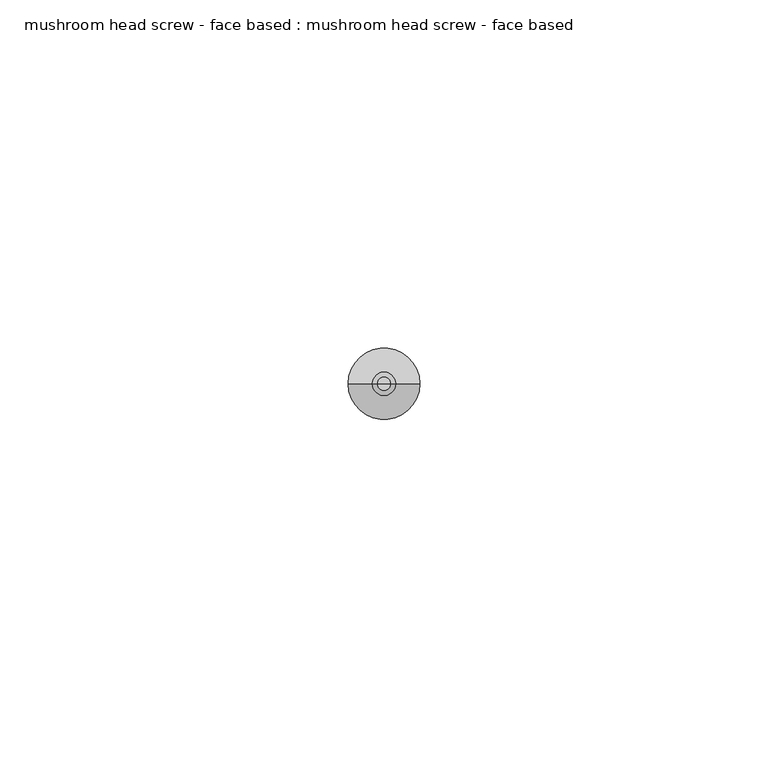
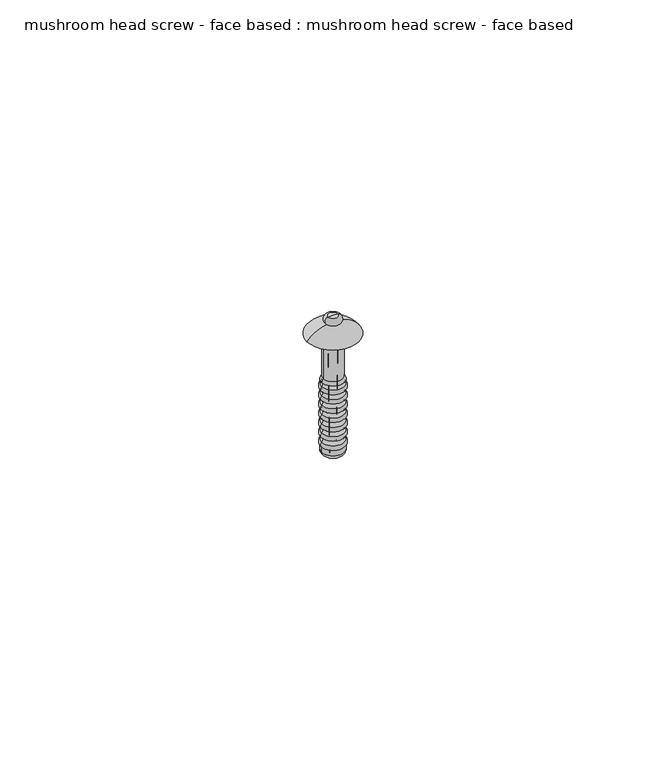
"""IFC4 building model written with IfcOpenShell, lengths in millimetres: proxy geometry, mushroom head screw - face based : mushroom head screw - face based."""

import ifcopenshell
import ifcopenshell.guid

model = None  # the IFC model being written
_history = None  # IfcOwnerHistory: only IFC2X3 demands one
_inside = {}  # id of a spatial element -> (the spatial element, [elements in it])
_under = {}  # id of a project, library or spatial element -> (it, [spatial elements below it])
_declared = {}  # id of a project -> (the project, [libraries it declares])
_typed = {}  # id of a type object -> (the type object, [elements of that type])
_made_of = {}  # id of a material, layer set ... -> (it, [elements and type objects made of it])


def new_model(schema):
    """Start an empty IFC model of exactly this schema.

    Asked for "IFC4X3", IfcOpenShell would pick the latest addendum, in which some entities
    have other attributes; the version numbers below select the first issue.
    IFC2X3 requires an IfcOwnerHistory on every rooted entity: one is made here for all.
    """
    global model, _history
    if schema == "IFC4X3":
        model = ifcopenshell.file(schema_version=(4, 3, 0, 0))
    else:
        model = ifcopenshell.file(schema=schema)
    _inside.clear()
    _under.clear()
    _declared.clear()
    _typed.clear()
    _made_of.clear()
    _history = None
    if model.schema == "IFC2X3":
        org = make("IfcOrganization", Name="unknown")
        user = make(
            "IfcPersonAndOrganization",
            ThePerson=make("IfcPerson", FamilyName="unknown"),
            TheOrganization=org,
        )
        app = make(
            "IfcApplication",
            ApplicationDeveloper=org,
            Version="unknown",
            ApplicationFullName="unknown",
            ApplicationIdentifier="unknown",
        )
        _history = make(
            "IfcOwnerHistory",
            OwningUser=user,
            OwningApplication=app,
            ChangeAction="ADDED",
            CreationDate=0,
        )
    return model


def make(cls, **values):
    """One entity of the class cls with the attributes given. An attribute that is None is left unset."""
    return model.create_entity(
        cls, **{name: value for name, value in values.items() if value is not None}
    )


def rooted(cls, **values):
    """An entity with a GlobalId (a new one), such as an element, a storey or a relation."""
    return make(cls, GlobalId=ifcopenshell.guid.new(), OwnerHistory=_history, **values)


def si_unit(unit_type, name, prefix=None):
    """IfcSIUnit, for example si_unit("LENGTHUNIT", "METRE", prefix="MILLI")."""
    return make("IfcSIUnit", UnitType=unit_type, Prefix=prefix, Name=name)


def assignment(units):
    """IfcUnitAssignment: the units of a project."""
    return None if units is None else make("IfcUnitAssignment", Units=units)


def point(xyz):
    """IfcCartesianPoint."""
    return None if xyz is None else make("IfcCartesianPoint", Coordinates=xyz)


def direction(xyz):
    """IfcDirection."""
    return None if xyz is None else make("IfcDirection", DirectionRatios=xyz)


def frame(location, z_axis=None, x_axis=None):
    """IfcAxis2Placement3D, a coordinate frame: its origin and axes. An axis left out is left unset."""
    return make(
        "IfcAxis2Placement3D",
        Location=point(location),
        Axis=direction(z_axis),
        RefDirection=direction(x_axis),
    )


def origin():
    """The frame at (0, 0, 0) with its axes left unset."""
    return frame((0.0, 0.0, 0.0))


def place(relative_to, where):
    """IfcLocalPlacement: puts the frame where relative to a parent placement (None: the world)."""
    return make(
        "IfcLocalPlacement", PlacementRelTo=relative_to, RelativePlacement=where
    )


def context(
    kind, dimensions, precision=None, world=None, true_north=None, identifier=None
):
    """IfcGeometricRepresentationContext, for example the 3D "Model" context."""
    return make(
        "IfcGeometricRepresentationContext",
        ContextIdentifier=identifier,
        ContextType=kind,
        CoordinateSpaceDimension=dimensions,
        Precision=precision,
        WorldCoordinateSystem=world,
        TrueNorth=true_north,
    )


def project(units=None, contexts=None):
    """IfcProject with its units and contexts."""
    return rooted(
        "IfcProject",
        Name="project",
        RepresentationContexts=contexts,
        UnitsInContext=assignment(units),
    )


def spatial(cls, under=None, at=None, **own):
    """A site, building, storey or space (cls), placed at a placement, below another one or the project."""
    s = rooted(cls, ObjectPlacement=at, **own)
    if under is not None:
        _under.setdefault(under.id(), (under, []))[1].append(s)
    return s


def polyline(points):
    """IfcPolyline through the points."""
    return make("IfcPolyline", Points=[point(p) for p in points])


def circle_curve(where, radius):
    """IfcCircle in the frame where."""
    return make("IfcCircle", Position=where, Radius=radius)


def ellipse_curve(where, semi_axis1, semi_axis2):
    """IfcEllipse in the frame where."""
    return make(
        "IfcEllipse", Position=where, SemiAxis1=semi_axis1, SemiAxis2=semi_axis2
    )


def trimmed(basis, trim1, trim2, sense, master):
    """IfcTrimmedCurve: the piece of a basis curve between two trims."""
    return make(
        "IfcTrimmedCurve",
        BasisCurve=basis,
        Trim1=trim1,
        Trim2=trim2,
        SenseAgreement=sense,
        MasterRepresentation=master,
    )


def shape(context_of_items, identifier, shape_type, items):
    """IfcShapeRepresentation: the items that make up one representation, for example the "Body"."""
    return make(
        "IfcShapeRepresentation",
        ContextOfItems=context_of_items,
        RepresentationIdentifier=identifier,
        RepresentationType=shape_type,
        Items=items,
    )


def source(mapping_origin, context_of_items, identifier, shape_type, items):
    """IfcRepresentationMap: a shape defined once, which mapped items show again and again."""
    return make(
        "IfcRepresentationMap",
        MappingOrigin=mapping_origin,
        MappedRepresentation=shape(context_of_items, identifier, shape_type, items),
    )


def transform(
    local_origin,
    x_axis=None,
    y_axis=None,
    z_axis=None,
    scale=None,
    scale2=None,
    scale3=None,
    uniform=True,
):
    """IfcCartesianTransformationOperator3D, or its non-uniform kind. x_axis, y_axis, z_axis: its Axis1, 2, 3."""
    if uniform:
        return make(
            "IfcCartesianTransformationOperator3D",
            Axis1=direction(x_axis),
            Axis2=direction(y_axis),
            LocalOrigin=point(local_origin),
            Scale=scale,
            Axis3=direction(z_axis),
        )
    return make(
        "IfcCartesianTransformationOperator3DnonUniform",
        Axis1=direction(x_axis),
        Axis2=direction(y_axis),
        LocalOrigin=point(local_origin),
        Scale=scale,
        Axis3=direction(z_axis),
        Scale2=scale2,
        Scale3=scale3,
    )


def mapped(mapping_source, mapping_target):
    """IfcMappedItem: shows the shape of a source again, moved by a transform."""
    return make(
        "IfcMappedItem", MappingSource=mapping_source, MappingTarget=mapping_target
    )


def made_of(thing, what):
    """Note that an element or type object is made of a material, layer set ...; save() writes the relation."""
    if what is not None:
        _made_of.setdefault(what.id(), (what, []))[1].append(thing)
    return thing


def element(
    cls,
    number,
    at=None,
    inside=None,
    cuts=None,
    type_object=None,
    material=None,
    context=None,
    identifier="Body",
    shape_type=None,
    held_by="IfcProductDefinitionShape",
    body=None,
    shapes=None,
    **own,
):
    """One element of the class cls, such as IfcWall. Its Tag is "e" and its number.

    at: its placement. inside: the storey or other place that contains it. cuts: it is an
    opening in that element (IfcRelVoidsElement). A single representation is given by context,
    identifier, shape_type and body (its items); several are given by shapes. held_by: the class
    of the entity that holds the representations. save() writes the other relations.
    """
    e = rooted(cls, Tag="e%d" % number, ObjectPlacement=at, **own)
    if body is not None:
        shapes = [shape(context, identifier, shape_type, body)]
    if shapes is not None:
        e.Representation = make(held_by, Representations=shapes)
    if inside is not None:
        _inside.setdefault(inside.id(), (inside, []))[1].append(e)
    if cuts is not None:
        rooted(
            "IfcRelVoidsElement", RelatingBuildingElement=cuts, RelatedOpeningElement=e
        )
    if type_object is not None:
        _typed.setdefault(type_object.id(), (type_object, []))[1].append(e)
    return made_of(e, material)


def aggregate(whole, parts):
    """IfcRelAggregates: a whole, such as a stair, and the parts it consists of."""
    return rooted("IfcRelAggregates", RelatingObject=whole, RelatedObjects=parts)


def save(model, path):
    """Write the relations noted so far, then the file.

    IfcRelAggregates (storeys below a building ...), IfcRelContainedInSpatialStructure (elements
    in a storey), IfcRelDefinesByType, IfcRelAssociatesMaterial and IfcRelDeclares: one each for
    every whole, place, type object, material and project.
    """
    for whole, parts in _under.values():
        aggregate(whole, parts)
    for where, things in _inside.values():
        rooted(
            "IfcRelContainedInSpatialStructure",
            RelatedElements=things,
            RelatingStructure=where,
        )
    for kind, things in _typed.values():
        rooted("IfcRelDefinesByType", RelatedObjects=things, RelatingType=kind)
    for what, things in _made_of.values():
        rooted("IfcRelAssociatesMaterial", RelatedObjects=things, RelatingMaterial=what)
    for by, libraries in _declared.values():
        rooted("IfcRelDeclares", RelatingContext=by, RelatedDefinitions=libraries)
    model.write(path)


def plane_surface(at):
    """IfcPlane: the flat surface through the origin of the frame at, square to its z axis."""
    return make("IfcPlane", Position=at)


def cylinder_surface(at, radius):
    """IfcCylindricalSurface: all points at the distance radius from the z axis of the frame at."""
    return make("IfcCylindricalSurface", Position=at, Radius=radius)


def revolved_surface(curve, axis_point, axis_direction):
    """IfcSurfaceOfRevolution: the curve turned about the line through axis_point along axis_direction."""
    return make(
        "IfcSurfaceOfRevolution",
        SweptCurve=make("IfcArbitraryOpenProfileDef", ProfileType="CURVE", Curve=curve),
        AxisPosition=make("IfcAxis1Placement", Location=point(axis_point), Axis=direction(axis_direction)),
    )


def advanced_brep(points, edges, surfaces, faces):
    """IfcAdvancedBrep: a solid bounded by faces that lie on surfaces and meet in shared edges.

    An edge is (start, end): straight between two places in points (the first is 0);
    or (start, end, curve); or (start, end, curve, False) where it runs against its curve.
    A face is (place in surfaces, loops), or (place, loops, False) where it looks against
    its surface's normal. A loop lists edges by number (the first is 1), with a minus sign
    where the edge is run from its end to its start. The first loop is the outer one.
    """
    corners = [point(p) for p in points]
    vertices = [make("IfcVertexPoint", VertexGeometry=c) for c in corners]
    made = []
    for start, end, *more in edges:
        made.append(
            make(
                "IfcEdgeCurve",
                EdgeStart=vertices[start],
                EdgeEnd=vertices[end],
                EdgeGeometry=more[0] if more else make("IfcPolyline", Points=[corners[start], corners[end]]),
                SameSense=more[1] if len(more) > 1 else True,
            )
        )
    hull = []
    for where, loops, *sense in faces:
        bounds = []
        for j, loop in enumerate(loops):
            ring = [make("IfcOrientedEdge", EdgeElement=made[abs(k) - 1], Orientation=k > 0) for k in loop]
            bounds.append(
                make(
                    "IfcFaceOuterBound" if j == 0 else "IfcFaceBound",
                    Bound=make("IfcEdgeLoop", EdgeList=ring),
                    Orientation=True,
                )
            )
        hull.append(make("IfcAdvancedFace", Bounds=bounds, FaceSurface=surfaces[where], SameSense=sense[0] if sense else True))
    return make("IfcAdvancedBrep", Outer=make("IfcClosedShell", CfsFaces=hull))


def mushroom_head_screw_face_based_mushroom_head_screw_face_4bd5d8ad(model_context):
    return source(origin(), model_context, "Body", "AdvancedBrep", [
        advanced_brep(
        [(4.5171175, 0.0, -21.5908837), (5.7641019, 0.0, -21.5908837), (5.1406097, 0.0, -23.6302347), (4.3406097, 0.0, -3.6302347), (5.9406097, 0.0, -3.6302347), (5.1406097, 0.0, -3.6302347)],
        [
            (0, 1, circle_curve(frame((5.1406097, 0.0, -21.5908837), z_axis=(0.0, 0.0, -1.0), x_axis=(1.0, 0.0, 0.0)), 0.6234922)),
            (1, 2),
            (2, 0),
            (1, 0, circle_curve(frame((5.1406097, 0.0, -21.5908837), z_axis=(0.0, 0.0, -1.0), x_axis=(1.0, 0.0, 0.0)), 0.6234922)),
            (3, 4, circle_curve(frame((5.1406097, 0.0, -3.6302347), z_axis=(0.0, 0.0, -1.0), x_axis=(1.0, 0.0, 0.0)), 0.8)),
            (4, 1),
            (0, 3),
            (4, 3, circle_curve(frame((5.1406097, 0.0, -3.6302347), z_axis=(0.0, 0.0, -1.0), x_axis=(1.0, 0.0, 0.0)), 0.8)),
            (5, 4),
            (3, 5),
        ],
        [
            revolved_surface(polyline([(5.1406097, 0.0, -23.6302347), (5.7641019, 0.0, -21.5908837)]), (5.1406097, 0.0, 0.0), (0.0, 0.0, 1.0)),
            revolved_surface(polyline([(5.7641019, 0.0, -21.5908837), (5.9406097, 0.0, -3.6302347)]), (5.1406097, 0.0, 0.0), (0.0, 0.0, 1.0)),
            plane_surface(frame((5.1406097, 0.0, -3.6302347), z_axis=(0.0, 0.0, 1.0), x_axis=(1.0, 0.0, 0.0))),
        ],
        [
            (0, [[1, 2, 3]]),
            (0, [[4, -3, -2]]),
            (1, [[5, 6, -1, 7]]),
            (1, [[8, -7, -4, -6]]),
            (2, [[9, -5, 10]]),
            (2, [[-10, -8, -9]]),
        ],
    ),
        advanced_brep(
        [(4.3406097, 0.0, -3.6302347), (5.9406097, 0.0, -3.6302347), (5.1406097, 0.0, -3.6302347), (4.6214235, 0.0, -25.0013937), (5.6597959, 0.0, -25.0013937), (3.6214235, 0.0, -25.0013937), (6.6597959, 0.0, -25.0013937), (2.8756734, 0.0, -24.1435063), (7.405546, 0.0, -24.1435063), (2.8756734, 0.0, -23.0427099), (7.405546, 0.0, -23.0427099), (2.8756734, 0.0, -22.0638705), (7.405546, 0.0, -22.0638705), (2.8756734, 0.0, -21.1029505), (7.405546, 0.0, -21.1029505), (2.8756734, 0.0, -20.124111), (7.405546, 0.0, -20.124111), (2.8756734, 0.0, -19.163191), (7.405546, 0.0, -19.163191), (2.8756734, 0.0, -18.1843516), (7.405546, 0.0, -18.1843516), (2.8756734, 0.0, -17.2234316), (7.405546, 0.0, -17.2234316), (2.8756734, 0.0, -16.2445921), (7.405546, 0.0, -16.2445921), (2.8756734, 0.0, -15.2836722), (7.405546, 0.0, -15.2836722), (2.8756734, 0.0, -14.3048327), (7.405546, 0.0, -14.3048327), (2.8756734, 0.0, -13.3439127), (7.405546, 0.0, -13.3439127), (2.8756734, 0.0, -12.3650733), (7.405546, 0.0, -12.3650733), (2.8756734, 0.0, -11.4041533), (7.405546, 0.0, -11.4041533), (2.8756734, 0.0, -10.4253138), (7.405546, 0.0, -10.4253138), (2.8756734, 0.0, -9.5987495), (7.405546, 0.0, -9.5987495), (3.1888979, 0.0, -8.8608387), (7.0923215, 0.0, -8.8608387), (3.1888979, 0.0, 0.0), (7.0923215, 0.0, 0.0), (0.0, 0.0, 0.0), (10.2812194, 0.0, 0.0), (4.2156904, 0.0, 2.2317279), (6.0655289, 0.0, 2.2317279), (4.1406097, 0.0, 3.6643541), (6.1406097, 0.0, 3.6643541), (5.1406097, 0.0, 3.6643541)],
        [
            (0, 1, circle_curve(frame((5.1406097, 0.0, -3.6302347), z_axis=(0.0, 0.0, -1.0), x_axis=(1.0, 0.0, 0.0)), 0.8)),
            (1, 2),
            (2, 0),
            (1, 0, circle_curve(frame((5.1406097, 0.0, -3.6302347), z_axis=(0.0, 0.0, -1.0), x_axis=(1.0, 0.0, 0.0)), 0.8)),
            (3, 4, circle_curve(frame((5.1406097, 0.0, -25.0013937), z_axis=(0.0, 0.0, -1.0), x_axis=(1.0, 0.0, 0.0)), 0.5191862)),
            (4, 1),
            (0, 3),
            (4, 3, circle_curve(frame((5.1406097, 0.0, -25.0013937), z_axis=(0.0, 0.0, -1.0), x_axis=(1.0, 0.0, 0.0)), 0.5191862)),
            (5, 6, circle_curve(frame((5.1406097, 0.0, -25.0013937), z_axis=(0.0, 0.0, -1.0), x_axis=(1.0, 0.0, 0.0)), 1.5191862)),
            (6, 4),
            (3, 5),
            (6, 5, circle_curve(frame((5.1406097, 0.0, -25.0013937), z_axis=(0.0, 0.0, -1.0), x_axis=(1.0, 0.0, 0.0)), 1.5191862)),
            (7, 8, circle_curve(frame((5.1406097, 0.0, -24.1435063), z_axis=(0.0, 0.0, -1.0), x_axis=(1.0, 0.0, 0.0)), 2.2649363)),
            (8, 6, circle_curve(frame((6.5392276, 0.0, -24.1435063), z_axis=(0.0, 1.0, 0.0), x_axis=(1.0, 0.0, 0.0)), 0.8663184)),
            (5, 7, circle_curve(frame((3.7419917, 0.0, -24.1435063), z_axis=(0.0, 1.0, 0.0), x_axis=(-1.0, 0.0, 0.0)), 0.8663184)),
            (8, 7, circle_curve(frame((5.1406097, 0.0, -24.1435063), z_axis=(0.0, 0.0, -1.0), x_axis=(1.0, 0.0, 0.0)), 2.2649363)),
            (9, 10, circle_curve(frame((5.1406097, 0.0, -23.0427099), z_axis=(0.0, 0.0, -1.0), x_axis=(1.0, 0.0, 0.0)), 2.2649363)),
            (10, 8),
            (7, 9),
            (10, 9, circle_curve(frame((5.1406097, 0.0, -23.0427099), z_axis=(0.0, 0.0, -1.0), x_axis=(1.0, 0.0, 0.0)), 2.2649363)),
            (11, 12, circle_curve(frame((5.1406097, 0.0, -22.0638705), z_axis=(0.0, 0.0, -1.0), x_axis=(1.0, 0.0, 0.0)), 2.2649363)),
            (12, 10, circle_curve(frame((6.9660938, 0.0, -22.5532902), z_axis=(0.0, 1.0, 0.0), x_axis=(1.0, 0.0, 0.0)), 0.6577613)),
            (9, 11, circle_curve(frame((3.3151256, 0.0, -22.5532902), z_axis=(0.0, 1.0, 0.0), x_axis=(-1.0, 0.0, 0.0)), 0.6577613)),
            (12, 11, circle_curve(frame((5.1406097, 0.0, -22.0638705), z_axis=(0.0, 0.0, -1.0), x_axis=(1.0, 0.0, 0.0)), 2.2649363)),
            (13, 14, circle_curve(frame((5.1406097, 0.0, -21.1029505), z_axis=(0.0, 0.0, -1.0), x_axis=(1.0, 0.0, 0.0)), 2.2649363)),
            (14, 12, circle_curve(frame((7.8369533, 0.0, -21.5834105), z_axis=(0.0, -1.0, 0.0), x_axis=(1.0, 0.0, 0.0)), 0.6457198)),
            (11, 13, circle_curve(frame((2.4442661, 0.0, -21.5834105), z_axis=(0.0, -1.0, 0.0), x_axis=(-1.0, 0.0, 0.0)), 0.6457198)),
            (14, 13, circle_curve(frame((5.1406097, 0.0, -21.1029505), z_axis=(0.0, 0.0, -1.0), x_axis=(1.0, 0.0, 0.0)), 2.2649363)),
            (15, 16, circle_curve(frame((5.1406097, 0.0, -20.124111), z_axis=(0.0, 0.0, -1.0), x_axis=(1.0, 0.0, 0.0)), 2.2649363)),
            (16, 14, circle_curve(frame((6.9660938, 0.0, -20.6135308), z_axis=(0.0, 1.0, 0.0), x_axis=(1.0, 0.0, 0.0)), 0.6577613)),
            (13, 15, circle_curve(frame((3.3151256, 0.0, -20.6135308), z_axis=(0.0, 1.0, 0.0), x_axis=(-1.0, 0.0, 0.0)), 0.6577613)),
            (16, 15, circle_curve(frame((5.1406097, 0.0, -20.124111), z_axis=(0.0, 0.0, -1.0), x_axis=(1.0, 0.0, 0.0)), 2.2649363)),
            (17, 18, circle_curve(frame((5.1406097, 0.0, -19.163191), z_axis=(0.0, 0.0, -1.0), x_axis=(1.0, 0.0, 0.0)), 2.2649363)),
            (18, 16, circle_curve(frame((7.8369533, 0.0, -19.643651), z_axis=(0.0, -1.0, 0.0), x_axis=(1.0, 0.0, 0.0)), 0.6457198)),
            (15, 17, circle_curve(frame((2.4442661, 0.0, -19.643651), z_axis=(0.0, -1.0, 0.0), x_axis=(-1.0, 0.0, 0.0)), 0.6457198)),
            (18, 17, circle_curve(frame((5.1406097, 0.0, -19.163191), z_axis=(0.0, 0.0, -1.0), x_axis=(1.0, 0.0, 0.0)), 2.2649363)),
            (19, 20, circle_curve(frame((5.1406097, 0.0, -18.1843516), z_axis=(0.0, 0.0, -1.0), x_axis=(1.0, 0.0, 0.0)), 2.2649363)),
            (20, 18, circle_curve(frame((6.9660938, 0.0, -18.6737713), z_axis=(0.0, 1.0, 0.0), x_axis=(1.0, 0.0, 0.0)), 0.6577613)),
            (17, 19, circle_curve(frame((3.3151256, 0.0, -18.6737713), z_axis=(0.0, 1.0, 0.0), x_axis=(-1.0, 0.0, 0.0)), 0.6577613)),
            (20, 19, circle_curve(frame((5.1406097, 0.0, -18.1843516), z_axis=(0.0, 0.0, -1.0), x_axis=(1.0, 0.0, 0.0)), 2.2649363)),
            (21, 22, circle_curve(frame((5.1406097, 0.0, -17.2234316), z_axis=(0.0, 0.0, -1.0), x_axis=(1.0, 0.0, 0.0)), 2.2649363)),
            (22, 20, circle_curve(frame((7.8369533, 0.0, -17.7038916), z_axis=(0.0, -1.0, 0.0), x_axis=(1.0, 0.0, 0.0)), 0.6457198)),
            (19, 21, circle_curve(frame((2.4442661, 0.0, -17.7038916), z_axis=(0.0, -1.0, 0.0), x_axis=(-1.0, 0.0, 0.0)), 0.6457198)),
            (22, 21, circle_curve(frame((5.1406097, 0.0, -17.2234316), z_axis=(0.0, 0.0, -1.0), x_axis=(1.0, 0.0, 0.0)), 2.2649363)),
            (23, 24, circle_curve(frame((5.1406097, 0.0, -16.2445921), z_axis=(0.0, 0.0, -1.0), x_axis=(1.0, 0.0, 0.0)), 2.2649363)),
            (24, 22, circle_curve(frame((6.9660938, 0.0, -16.7340119), z_axis=(0.0, 1.0, 0.0), x_axis=(1.0, 0.0, 0.0)), 0.6577613)),
            (21, 23, circle_curve(frame((3.3151256, 0.0, -16.7340119), z_axis=(0.0, 1.0, 0.0), x_axis=(-1.0, 0.0, 0.0)), 0.6577613)),
            (24, 23, circle_curve(frame((5.1406097, 0.0, -16.2445921), z_axis=(0.0, 0.0, -1.0), x_axis=(1.0, 0.0, 0.0)), 2.2649363)),
            (25, 26, circle_curve(frame((5.1406097, 0.0, -15.2836722), z_axis=(0.0, 0.0, -1.0), x_axis=(1.0, 0.0, 0.0)), 2.2649363)),
            (26, 24, circle_curve(frame((7.8369533, 0.0, -15.7641321), z_axis=(0.0, -1.0, 0.0), x_axis=(1.0, 0.0, 0.0)), 0.6457198)),
            (23, 25, circle_curve(frame((2.4442661, 0.0, -15.7641321), z_axis=(0.0, -1.0, 0.0), x_axis=(-1.0, 0.0, 0.0)), 0.6457198)),
            (26, 25, circle_curve(frame((5.1406097, 0.0, -15.2836722), z_axis=(0.0, 0.0, -1.0), x_axis=(1.0, 0.0, 0.0)), 2.2649363)),
            (27, 28, circle_curve(frame((5.1406097, 0.0, -14.3048327), z_axis=(0.0, 0.0, -1.0), x_axis=(1.0, 0.0, 0.0)), 2.2649363)),
            (28, 26, circle_curve(frame((6.9660938, 0.0, -14.7942524), z_axis=(0.0, 1.0, 0.0), x_axis=(1.0, 0.0, 0.0)), 0.6577613)),
            (25, 27, circle_curve(frame((3.3151256, 0.0, -14.7942524), z_axis=(0.0, 1.0, 0.0), x_axis=(-1.0, 0.0, 0.0)), 0.6577613)),
            (28, 27, circle_curve(frame((5.1406097, 0.0, -14.3048327), z_axis=(0.0, 0.0, -1.0), x_axis=(1.0, 0.0, 0.0)), 2.2649363)),
            (29, 30, circle_curve(frame((5.1406097, 0.0, -13.3439127), z_axis=(0.0, 0.0, -1.0), x_axis=(1.0, 0.0, 0.0)), 2.2649363)),
            (30, 28, circle_curve(frame((7.8369533, 0.0, -13.8243727), z_axis=(0.0, -1.0, 0.0), x_axis=(1.0, 0.0, 0.0)), 0.6457198)),
            (27, 29, circle_curve(frame((2.4442661, 0.0, -13.8243727), z_axis=(0.0, -1.0, 0.0), x_axis=(-1.0, 0.0, 0.0)), 0.6457198)),
            (30, 29, circle_curve(frame((5.1406097, 0.0, -13.3439127), z_axis=(0.0, 0.0, -1.0), x_axis=(1.0, 0.0, 0.0)), 2.2649363)),
            (31, 32, circle_curve(frame((5.1406097, 0.0, -12.3650733), z_axis=(0.0, 0.0, -1.0), x_axis=(1.0, 0.0, 0.0)), 2.2649363)),
            (32, 30, circle_curve(frame((6.9660938, 0.0, -12.854493), z_axis=(0.0, 1.0, 0.0), x_axis=(1.0, 0.0, 0.0)), 0.6577613)),
            (29, 31, circle_curve(frame((3.3151256, 0.0, -12.854493), z_axis=(0.0, 1.0, 0.0), x_axis=(-1.0, 0.0, 0.0)), 0.6577613)),
            (32, 31, circle_curve(frame((5.1406097, 0.0, -12.3650733), z_axis=(0.0, 0.0, -1.0), x_axis=(1.0, 0.0, 0.0)), 2.2649363)),
            (33, 34, circle_curve(frame((5.1406097, 0.0, -11.4041533), z_axis=(0.0, 0.0, -1.0), x_axis=(1.0, 0.0, 0.0)), 2.2649363)),
            (34, 32, circle_curve(frame((7.8369533, 0.0, -11.8846133), z_axis=(0.0, -1.0, 0.0), x_axis=(1.0, 0.0, 0.0)), 0.6457198)),
            (31, 33, circle_curve(frame((2.4442661, 0.0, -11.8846133), z_axis=(0.0, -1.0, 0.0), x_axis=(-1.0, 0.0, 0.0)), 0.6457198)),
            (34, 33, circle_curve(frame((5.1406097, 0.0, -11.4041533), z_axis=(0.0, 0.0, -1.0), x_axis=(1.0, 0.0, 0.0)), 2.2649363)),
            (35, 36, circle_curve(frame((5.1406097, 0.0, -10.4253138), z_axis=(0.0, 0.0, -1.0), x_axis=(1.0, 0.0, 0.0)), 2.2649363)),
            (36, 34, circle_curve(frame((6.9660938, 0.0, -10.9147335), z_axis=(0.0, 1.0, 0.0), x_axis=(1.0, 0.0, 0.0)), 0.6577613)),
            (33, 35, circle_curve(frame((3.3151256, 0.0, -10.9147335), z_axis=(0.0, 1.0, 0.0), x_axis=(-1.0, 0.0, 0.0)), 0.6577613)),
            (36, 35, circle_curve(frame((5.1406097, 0.0, -10.4253138), z_axis=(0.0, 0.0, -1.0), x_axis=(1.0, 0.0, 0.0)), 2.2649363)),
            (37, 38, circle_curve(frame((5.1406097, 0.0, -9.5987495), z_axis=(0.0, 0.0, -1.0), x_axis=(1.0, 0.0, 0.0)), 2.2649363)),
            (38, 36, circle_curve(frame((7.776634, 0.0, -10.0120317), z_axis=(0.0, -1.0, 0.0), x_axis=(1.0, 0.0, 0.0)), 0.5554354)),
            (35, 37, circle_curve(frame((2.5045854, 0.0, -10.0120317), z_axis=(0.0, -1.0, 0.0), x_axis=(-1.0, 0.0, 0.0)), 0.5554354)),
            (38, 37, circle_curve(frame((5.1406097, 0.0, -9.5987495), z_axis=(0.0, 0.0, -1.0), x_axis=(1.0, 0.0, 0.0)), 2.2649363)),
            (39, 40, circle_curve(frame((5.1406097, 0.0, -8.8608387), z_axis=(0.0, 0.0, -1.0), x_axis=(1.0, 0.0, 0.0)), 1.9517118)),
            (40, 38),
            (37, 39),
            (40, 39, circle_curve(frame((5.1406097, 0.0, -8.8608387), z_axis=(0.0, 0.0, -1.0), x_axis=(1.0, 0.0, 0.0)), 1.9517118)),
            (41, 42, circle_curve(frame((5.1406097, 0.0, 0.0), z_axis=(0.0, 0.0, -1.0), x_axis=(1.0, 0.0, 0.0)), 1.9517118)),
            (42, 40),
            (39, 41),
            (42, 41, circle_curve(frame((5.1406097, 0.0, 0.0), z_axis=(0.0, 0.0, -1.0), x_axis=(1.0, 0.0, 0.0)), 1.9517118)),
            (43, 44, circle_curve(frame((5.1406097, 0.0, 0.0), z_axis=(0.0, 0.0, -1.0), x_axis=(1.0, 0.0, 0.0)), 5.1406097)),
            (44, 42),
            (41, 43),
            (44, 43, circle_curve(frame((5.1406097, 0.0, 0.0), z_axis=(0.0, 0.0, -1.0), x_axis=(1.0, 0.0, 0.0)), 5.1406097)),
            (45, 46, circle_curve(frame((5.1406097, 0.0, 2.2317279), z_axis=(0.0, 0.0, -1.0), x_axis=(1.0, 0.0, 0.0)), 0.9249192)),
            (46, 44, circle_curve(frame((5.913396, 0.0, -3.1531906), z_axis=(0.0, 1.0, 0.0), x_axis=(1.0, 0.0, 0.0)), 5.3870671)),
            (43, 45, circle_curve(frame((4.3678234, 0.0, -3.1531906), z_axis=(0.0, 1.0, 0.0), x_axis=(-1.0, 0.0, 0.0)), 5.3870671)),
            (46, 45, circle_curve(frame((5.1406097, 0.0, 2.2317279), z_axis=(0.0, 0.0, -1.0), x_axis=(1.0, 0.0, 0.0)), 0.9249192)),
            (47, 48, circle_curve(frame((5.1406097, 0.0, 3.6643541), z_axis=(0.0, 0.0, -1.0), x_axis=(1.0, 0.0, 0.0)), 1.0)),
            (48, 46, circle_curve(frame((6.0857916, 0.0, 2.9489465), z_axis=(0.0, 1.0, 0.0), x_axis=(1.0, 0.0, 0.0)), 0.7175048)),
            (45, 47, circle_curve(frame((4.1954278, 0.0, 2.9489465), z_axis=(0.0, 1.0, 0.0), x_axis=(-1.0, 0.0, 0.0)), 0.7175048)),
            (48, 47, circle_curve(frame((5.1406097, 0.0, 3.6643541), z_axis=(0.0, 0.0, -1.0), x_axis=(1.0, 0.0, 0.0)), 1.0)),
            (49, 48),
            (47, 49),
        ],
        [
            plane_surface(frame((5.1406097, 0.0, -3.6302347), z_axis=(0.0, 0.0, -1.0), x_axis=(1.0, 0.0, 0.0))),
            revolved_surface(polyline([(5.9406097, 0.0, -3.6302347), (5.6597959, 0.0, -25.0013937)]), (5.1406097, 0.0, 3.6643541), (0.0, 0.0, 1.0)),
            plane_surface(frame((5.1406097, 0.0, -25.0013937), z_axis=(0.0, 0.0, -1.0), x_axis=(1.0, 0.0, 0.0))),
            revolved_surface(trimmed(ellipse_curve(frame((6.5392276, 0.0, -24.1435063), z_axis=(0.0, -1.0, 0.0), x_axis=(1.0, 0.0, 0.0)), 0.8663184, 0.8663184), [point((6.6597959, 0.0, -25.0013937))], [point((7.405546, 0.0, -24.1435063))], True, "CARTESIAN"), (5.1406097, 0.0, 3.6643541), (0.0, 0.0, 1.0)),
            cylinder_surface(frame((5.1406097, 0.0, 3.6643541), z_axis=(0.0, 0.0, 1.0), x_axis=(1.0, 0.0, 0.0)), 2.2649363),
            revolved_surface(trimmed(ellipse_curve(frame((6.9660938, 0.0, -22.5532902), z_axis=(0.0, -1.0, 0.0), x_axis=(1.0, 0.0, 0.0)), 0.6577613, 0.6577613), [point((7.405546, 0.0, -23.0427099))], [point((7.405546, 0.0, -22.0638705))], True, "CARTESIAN"), (5.1406097, 0.0, 3.6643541), (0.0, 0.0, 1.0)),
            revolved_surface(trimmed(ellipse_curve(frame((7.8369533, 0.0, -21.5834105), z_axis=(0.0, 1.0, 0.0), x_axis=(1.0, 0.0, 0.0)), 0.6457198, 0.6457198), [point((7.405546, 0.0, -22.0638705))], [point((7.405546, 0.0, -21.1029505))], True, "CARTESIAN"), (5.1406097, 0.0, 3.6643541), (0.0, 0.0, 1.0)),
            revolved_surface(trimmed(ellipse_curve(frame((6.9660938, 0.0, -20.6135308), z_axis=(0.0, -1.0, 0.0), x_axis=(1.0, 0.0, 0.0)), 0.6577613, 0.6577613), [point((7.405546, 0.0, -21.1029505))], [point((7.405546, 0.0, -20.124111))], True, "CARTESIAN"), (5.1406097, 0.0, 3.6643541), (0.0, 0.0, 1.0)),
            revolved_surface(trimmed(ellipse_curve(frame((7.8369533, 0.0, -19.643651), z_axis=(0.0, 1.0, 0.0), x_axis=(1.0, 0.0, 0.0)), 0.6457198, 0.6457198), [point((7.405546, 0.0, -20.124111))], [point((7.405546, 0.0, -19.163191))], True, "CARTESIAN"), (5.1406097, 0.0, 3.6643541), (0.0, 0.0, 1.0)),
            revolved_surface(trimmed(ellipse_curve(frame((6.9660938, 0.0, -18.6737713), z_axis=(0.0, -1.0, 0.0), x_axis=(1.0, 0.0, 0.0)), 0.6577613, 0.6577613), [point((7.405546, 0.0, -19.163191))], [point((7.405546, 0.0, -18.1843516))], True, "CARTESIAN"), (5.1406097, 0.0, 3.6643541), (0.0, 0.0, 1.0)),
            revolved_surface(trimmed(ellipse_curve(frame((7.8369533, 0.0, -17.7038916), z_axis=(0.0, 1.0, 0.0), x_axis=(1.0, 0.0, 0.0)), 0.6457198, 0.6457198), [point((7.405546, 0.0, -18.1843516))], [point((7.405546, 0.0, -17.2234316))], True, "CARTESIAN"), (5.1406097, 0.0, 3.6643541), (0.0, 0.0, 1.0)),
            revolved_surface(trimmed(ellipse_curve(frame((6.9660938, 0.0, -16.7340119), z_axis=(0.0, -1.0, 0.0), x_axis=(1.0, 0.0, 0.0)), 0.6577613, 0.6577613), [point((7.405546, 0.0, -17.2234316))], [point((7.405546, 0.0, -16.2445921))], True, "CARTESIAN"), (5.1406097, 0.0, 3.6643541), (0.0, 0.0, 1.0)),
            revolved_surface(trimmed(ellipse_curve(frame((7.8369533, 0.0, -15.7641321), z_axis=(0.0, 1.0, 0.0), x_axis=(1.0, 0.0, 0.0)), 0.6457198, 0.6457198), [point((7.405546, 0.0, -16.2445921))], [point((7.405546, 0.0, -15.2836722))], True, "CARTESIAN"), (5.1406097, 0.0, 3.6643541), (0.0, 0.0, 1.0)),
            revolved_surface(trimmed(ellipse_curve(frame((6.9660938, 0.0, -14.7942524), z_axis=(0.0, -1.0, 0.0), x_axis=(1.0, 0.0, 0.0)), 0.6577613, 0.6577613), [point((7.405546, 0.0, -15.2836722))], [point((7.405546, 0.0, -14.3048327))], True, "CARTESIAN"), (5.1406097, 0.0, 3.6643541), (0.0, 0.0, 1.0)),
            revolved_surface(trimmed(ellipse_curve(frame((7.8369533, 0.0, -13.8243727), z_axis=(0.0, 1.0, 0.0), x_axis=(1.0, 0.0, 0.0)), 0.6457198, 0.6457198), [point((7.405546, 0.0, -14.3048327))], [point((7.405546, 0.0, -13.3439127))], True, "CARTESIAN"), (5.1406097, 0.0, 3.6643541), (0.0, 0.0, 1.0)),
            revolved_surface(trimmed(ellipse_curve(frame((6.9660938, 0.0, -12.854493), z_axis=(0.0, -1.0, 0.0), x_axis=(1.0, 0.0, 0.0)), 0.6577613, 0.6577613), [point((7.405546, 0.0, -13.3439127))], [point((7.405546, 0.0, -12.3650733))], True, "CARTESIAN"), (5.1406097, 0.0, 3.6643541), (0.0, 0.0, 1.0)),
            revolved_surface(trimmed(ellipse_curve(frame((7.8369533, 0.0, -11.8846133), z_axis=(0.0, 1.0, 0.0), x_axis=(1.0, 0.0, 0.0)), 0.6457198, 0.6457198), [point((7.405546, 0.0, -12.3650733))], [point((7.405546, 0.0, -11.4041533))], True, "CARTESIAN"), (5.1406097, 0.0, 3.6643541), (0.0, 0.0, 1.0)),
            revolved_surface(trimmed(ellipse_curve(frame((6.9660938, 0.0, -10.9147335), z_axis=(0.0, -1.0, 0.0), x_axis=(1.0, 0.0, 0.0)), 0.6577613, 0.6577613), [point((7.405546, 0.0, -11.4041533))], [point((7.405546, 0.0, -10.4253138))], True, "CARTESIAN"), (5.1406097, 0.0, 3.6643541), (0.0, 0.0, 1.0)),
            revolved_surface(trimmed(ellipse_curve(frame((7.776634, 0.0, -10.0120317), z_axis=(0.0, 1.0, 0.0), x_axis=(1.0, 0.0, 0.0)), 0.5554354, 0.5554354), [point((7.405546, 0.0, -10.4253138))], [point((7.405546, 0.0, -9.5987495))], True, "CARTESIAN"), (5.1406097, 0.0, 3.6643541), (0.0, 0.0, 1.0)),
            revolved_surface(polyline([(7.405546, 0.0, -9.5987495), (7.0923215, 0.0, -8.8608387)]), (5.1406097, 0.0, 3.6643541), (0.0, 0.0, 1.0)),
            cylinder_surface(frame((5.1406097, 0.0, 3.6643541), z_axis=(0.0, 0.0, 1.0), x_axis=(1.0, 0.0, 0.0)), 1.9517118),
            plane_surface(frame((5.1406097, 0.0, 0.0), z_axis=(0.0, 0.0, -1.0), x_axis=(1.0, 0.0, 0.0))),
            revolved_surface(trimmed(ellipse_curve(frame((5.913396, 0.0, -3.1531906), z_axis=(0.0, -1.0, 0.0), x_axis=(1.0, 0.0, 0.0)), 5.3870671, 5.3870671), [point((10.2812194, 0.0, 0.0))], [point((6.0655289, 0.0, 2.2317279))], True, "CARTESIAN"), (5.1406097, 0.0, 3.6643541), (0.0, 0.0, 1.0)),
            revolved_surface(trimmed(ellipse_curve(frame((6.0857916, 0.0, 2.9489465), z_axis=(0.0, -1.0, 0.0), x_axis=(1.0, 0.0, 0.0)), 0.7175048, 0.7175048), [point((6.0655289, 0.0, 2.2317279))], [point((6.1406097, 0.0, 3.6643541))], True, "CARTESIAN"), (5.1406097, 0.0, 3.6643541), (0.0, 0.0, 1.0)),
            plane_surface(frame((5.1406097, 0.0, 3.6643541), z_axis=(0.0, 0.0, 1.0), x_axis=(1.0, 0.0, 0.0))),
        ],
        [
            (0, [[1, 2, 3]]),
            (0, [[4, -3, -2]]),
            (1, [[5, 6, -1, 7]]),
            (1, [[8, -7, -4, -6]]),
            (2, [[9, 10, -5, 11]]),
            (2, [[12, -11, -8, -10]]),
            (3, [[13, 14, -9, 15]]),
            (3, [[16, -15, -12, -14]]),
            (4, [[17, 18, -13, 19]]),
            (4, [[20, -19, -16, -18]]),
            (5, [[21, 22, -17, 23]]),
            (5, [[24, -23, -20, -22]]),
            (6, [[25, 26, -21, 27]]),
            (6, [[28, -27, -24, -26]]),
            (7, [[29, 30, -25, 31]]),
            (7, [[32, -31, -28, -30]]),
            (8, [[33, 34, -29, 35]]),
            (8, [[36, -35, -32, -34]]),
            (9, [[37, 38, -33, 39]]),
            (9, [[40, -39, -36, -38]]),
            (10, [[41, 42, -37, 43]]),
            (10, [[44, -43, -40, -42]]),
            (11, [[45, 46, -41, 47]]),
            (11, [[48, -47, -44, -46]]),
            (12, [[49, 50, -45, 51]]),
            (12, [[52, -51, -48, -50]]),
            (13, [[53, 54, -49, 55]]),
            (13, [[56, -55, -52, -54]]),
            (14, [[57, 58, -53, 59]]),
            (14, [[60, -59, -56, -58]]),
            (15, [[61, 62, -57, 63]]),
            (15, [[64, -63, -60, -62]]),
            (16, [[65, 66, -61, 67]]),
            (16, [[68, -67, -64, -66]]),
            (17, [[69, 70, -65, 71]]),
            (17, [[72, -71, -68, -70]]),
            (18, [[73, 74, -69, 75]]),
            (18, [[76, -75, -72, -74]]),
            (19, [[77, 78, -73, 79]]),
            (19, [[80, -79, -76, -78]]),
            (20, [[81, 82, -77, 83]]),
            (20, [[84, -83, -80, -82]]),
            (21, [[85, 86, -81, 87]]),
            (21, [[88, -87, -84, -86]]),
            (22, [[89, 90, -85, 91]]),
            (22, [[92, -91, -88, -90]]),
            (23, [[93, 94, -89, 95]]),
            (23, [[96, -95, -92, -94]]),
            (24, [[97, -93, 98]]),
            (24, [[-98, -96, -97]]),
        ],
    ),
    ])


if __name__ == "__main__":
    model = new_model("IFC4")
    model_context = context("Model", 3, world=origin())
    ifc_project = project(units=[si_unit("LENGTHUNIT", "METRE", prefix="MILLI")], contexts=[model_context])
    site = spatial("IfcSite", under=ifc_project)
    building = spatial("IfcBuilding", under=site)
    placement = place(None, origin())
    mushroom_head_screw_face_based_mushroom_head_screw_face_shape = mushroom_head_screw_face_based_mushroom_head_screw_face_4bd5d8ad(model_context)
    element("IfcBuildingElementProxy", 1, Name="mushroom head screw - face based : mushroom head screw - face based", ObjectType="mushroom head screw - face based : mushroom head screw - face based", at=placement, inside=building, context=model_context, shape_type="MappedRepresentation", body=[
        mapped(mushroom_head_screw_face_based_mushroom_head_screw_face_shape, transform((0.0, 0.0, 0.0), x_axis=(1.0, 0.0, 0.0), y_axis=(0.0, 1.0, 0.0), z_axis=(0.0, 0.0, 1.0))),
    ])
    save(model, "model.ifc")
